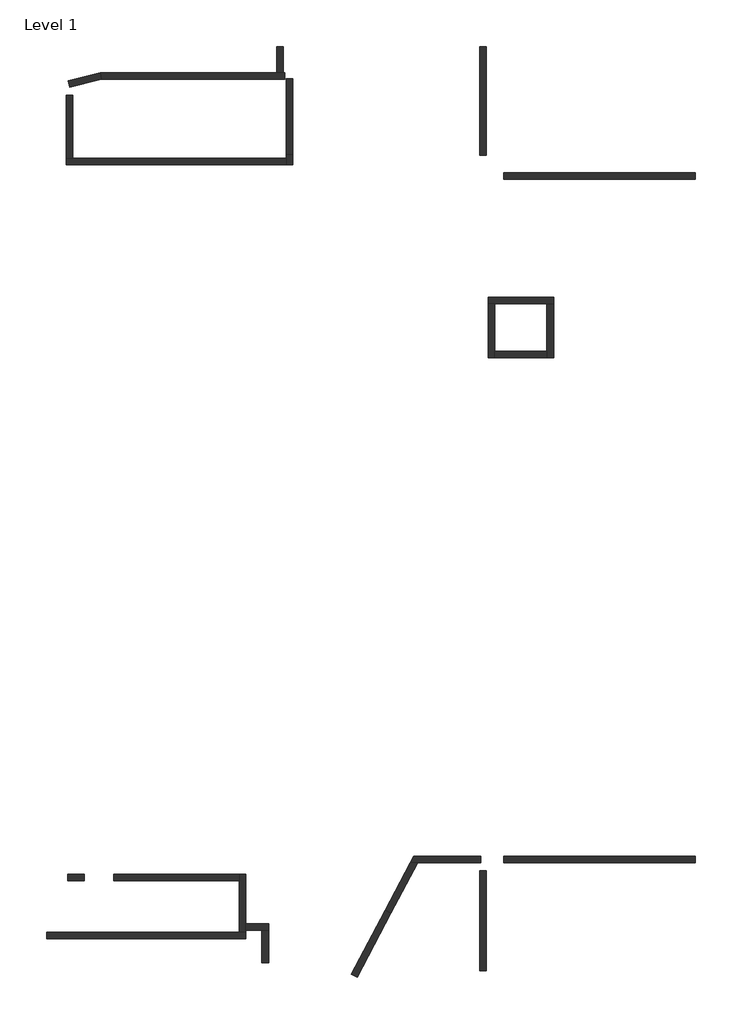
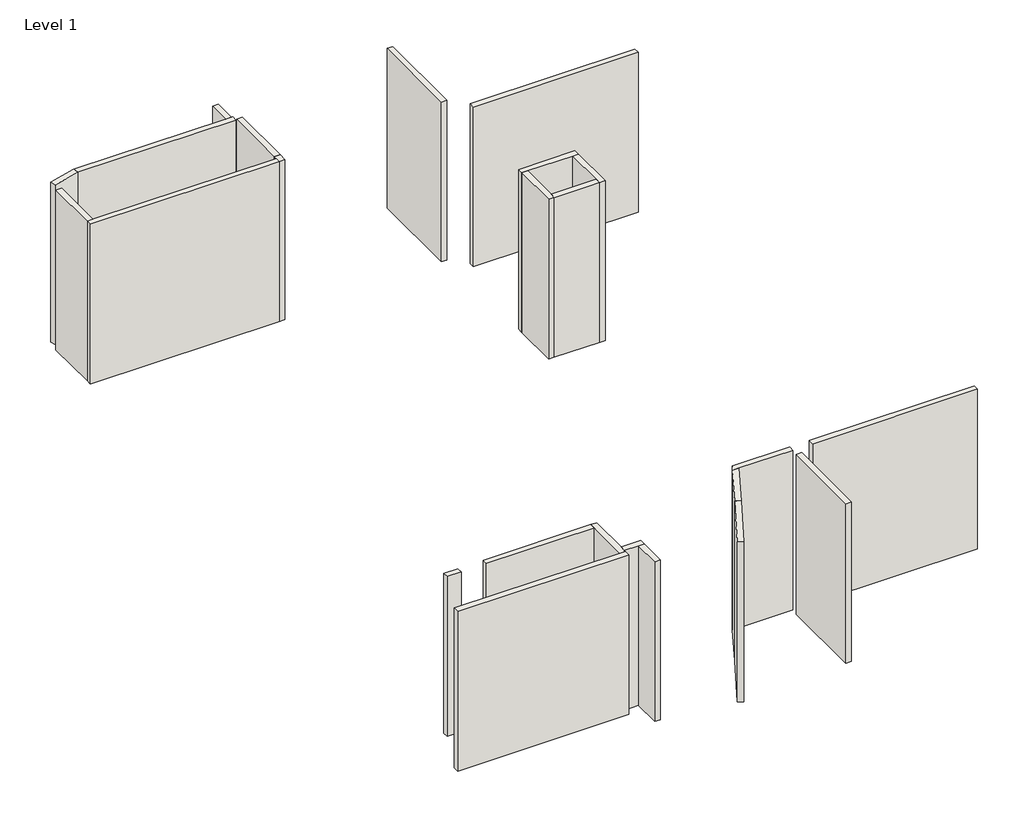
# One storey: 24 walls.
"""IFC4 building model written with IfcOpenShell, lengths in millimetres."""

from ifc_helpers import new_model, si_unit, origin, origin_with_axes, place, context, project, spatial, polyline, outline, extrude, faceted_brep, element, save

model = new_model("IFC4")

# Units and contexts
model_context = context("Model", 3, world=origin())
ifc_project = project(units=[si_unit("LENGTHUNIT", "METRE", prefix="MILLI")], contexts=[model_context])

# Site, building, storey
site = spatial("IfcSite", under=ifc_project)
building = spatial("IfcBuilding", under=site)
storey = spatial("IfcBuildingStorey", under=building, Name="Level 1", Elevation=0.0)

# Walls
placement = place(None, origin())
element("IfcWall", 1, ObjectType="Wall 1", at=placement, inside=storey, context=model_context, shape_type="Brep", body=[
    faceted_brep([(122166.793528, 85653.8669447, 0.0), (122396.4974292, 85653.8669447, 0.0), (124350.4817417, 85653.8669447, 0.0), (124350.4817417, 85653.8669447, 6096.0), (122396.4974292, 85653.8669447, 6096.0), (122166.793528, 85653.8669447, 6096.0), (122273.9086168, 85857.0669447, 0.0), (122273.9086168, 85857.0669447, 6096.0), (124350.4817417, 85857.0669447, 6096.0), (124350.4817417, 85857.0669447, 0.0)], [[[0, 1, 2, 3, 4, 5]], [[6, 7, 8, 9]], [[2, 1, 0, 6, 9]], [[3, 2, 9, 8]], [[5, 4, 3, 8, 7]], [[0, 5, 7, 6]]]),
])
element("IfcWall", 2, ObjectType="Wall 1", at=placement, inside=storey, context=model_context, shape_type="SweptSolid", body=[
    extrude(outline(polyline([(121386.3040414, 84173.2588861), (122166.793528, 85653.8669447), (122396.4974292, 85653.8669447), (121566.0582371, 84078.5030464), (121386.3040414, 84173.2588861)])), origin_with_axes(), (0.0, 0.0, 1.0), 6096.0),
])
element("IfcWall", 3, ObjectType="Wall 1", at=placement, inside=storey, context=model_context, shape_type="SweptSolid", body=[
    extrude(outline(polyline([(125061.6817417, 85857.0669447), (131005.2817417, 85857.0669447), (131005.2817417, 85653.8669447), (125061.6817417, 85653.8669447), (125061.6817417, 85857.0669447)])), origin_with_axes(), (0.0, 0.0, 1.0), 6096.0),
])
element("IfcWall", 4, ObjectType="Wall 1", at=placement, inside=storey, context=model_context, shape_type="Brep", body=[
    faceted_brep([(111498.0817417, 107301.9026673, 0.0), (118318.6606026, 107301.9026673, 0.0), (118318.6606026, 107301.9026673, 6096.0), (111498.0817417, 107301.9026673, 6096.0), (111498.0817417, 107505.1026673, 0.0), (111498.0817417, 107505.1026673, 6096.0), (111701.2817417, 107505.1026673, 6096.0), (118318.6606026, 107505.1026673, 6096.0), (118318.6606026, 107505.1026673, 0.0), (111701.2817417, 107505.1026673, 0.0)], [[[0, 1, 2, 3]], [[4, 5, 6, 7, 8, 9]], [[1, 0, 4, 9, 8]], [[3, 2, 7, 6, 5]], [[0, 3, 5, 4]], [[2, 1, 8, 7]]]),
])
element("IfcWall", 5, ObjectType="Wall 1", at=placement, inside=storey, context=model_context, shape_type="SweptSolid", body=[
    extrude(outline(polyline([(111701.2817417, 109448.5396727), (111701.2817417, 107505.1026673), (111498.0817417, 107505.1026673), (111498.0817417, 109448.5396727), (111701.2817417, 109448.5396727)])), origin_with_axes(), (0.0, 0.0, 1.0), 6096.0),
])
element("IfcWall", 6, ObjectType="Wall 1", at=placement, inside=storey, context=model_context, shape_type="Brep", body=[
    faceted_brep([(118521.8606026, 107301.9026673, 0.0), (118521.8606026, 107611.5689699, 0.0), (118521.8606026, 107611.5689699, 6096.0), (118521.8606026, 107301.9026673, 6096.0), (118318.6606026, 107301.9026673, 0.0), (118318.6606026, 107301.9026673, 6096.0), (118318.6606026, 107505.1026673, 6096.0), (118318.6606026, 107611.5689699, 6096.0), (118318.6606026, 107611.5689699, 0.0), (118318.6606026, 107505.1026673, 0.0)], [[[0, 1, 2, 3]], [[4, 5, 6, 7, 8, 9]], [[1, 0, 4, 9, 8]], [[2, 1, 8, 7]], [[3, 2, 7, 6, 5]], [[0, 3, 5, 4]]]),
])
element("IfcWall", 7, ObjectType="Wall 1", at=placement, inside=storey, context=model_context, shape_type="Brep", body=[
    faceted_brep([(110888.4817417, 83291.6669447, 0.0), (117060.6817417, 83291.6669447, 0.0), (117060.6817417, 83291.6669447, 6096.0), (110888.4817417, 83291.6669447, 6096.0), (110888.4817417, 83494.8669447, 0.0), (110888.4817417, 83494.8669447, 6096.0), (116857.4817417, 83494.8669447, 6096.0), (117060.6817417, 83494.8669447, 6096.0), (117060.6817417, 83494.8669447, 0.0), (116857.4817417, 83494.8669447, 0.0)], [[[0, 1, 2, 3]], [[4, 5, 6, 7, 8, 9]], [[1, 0, 4, 9, 8]], [[3, 2, 7, 6, 5]], [[0, 3, 5, 4]], [[2, 1, 8, 7]]]),
])
element("IfcWall", 8, ObjectType="Wall 1", at=placement, inside=storey, context=model_context, shape_type="Brep", body=[
    faceted_brep([(117060.6817417, 83494.8669447, 0.0), (117060.6817417, 83562.4276673, 0.0), (117060.6817417, 83765.6276673, 0.0), (117060.6817417, 85298.2669447, 0.0), (117060.6817417, 85298.2669447, 6096.0), (117060.6817417, 83765.6276673, 6096.0), (117060.6817417, 83562.4276673, 6096.0), (117060.6817417, 83494.8669447, 6096.0), (116857.4817417, 83494.8669447, 0.0), (116857.4817417, 83494.8669447, 6096.0), (116857.4817417, 85095.0669447, 6096.0), (116857.4817417, 85298.2669447, 6096.0), (116857.4817417, 85298.2669447, 0.0), (116857.4817417, 85095.0669447, 0.0)], [[[0, 1, 2, 3, 4, 5, 6, 7]], [[8, 9, 10, 11, 12, 13]], [[3, 2, 1, 0, 8, 13, 12]], [[7, 6, 5, 4, 11, 10, 9]], [[0, 7, 9, 8]], [[4, 3, 12, 11]]]),
])
element("IfcWall", 9, ObjectType="Wall 1", at=placement, inside=storey, context=model_context, shape_type="SweptSolid", body=[
    extrude(outline(polyline([(131005.2817417, 106850.1669447), (125061.6817417, 106850.1669447), (125061.6817417, 107053.3669447), (131005.2817417, 107053.3669447), (131005.2817417, 106850.1669447)])), origin_with_axes(), (0.0, 0.0, 1.0), 6096.0),
])
element("IfcWall", 10, ObjectType="Wall 1", at=placement, inside=storey, context=model_context, shape_type="Brep", body=[
    faceted_brep([(112578.7805263, 109943.5026673, 0.0), (118273.8711721, 109943.5026673, 0.0), (118273.8711721, 109943.5026673, 6096.0), (112578.7805263, 109943.5026673, 6096.0), (112553.5873576, 110146.7026673, 0.0), (112553.5873576, 110146.7026673, 6096.0), (118025.8817417, 110146.7026673, 6096.0), (118229.0817417, 110146.7026673, 6096.0), (118273.8711721, 110146.7026673, 6096.0), (118273.8711721, 110146.7026673, 0.0), (118229.0817417, 110146.7026673, 0.0), (118025.8817417, 110146.7026673, 0.0)], [[[0, 1, 2, 3]], [[4, 5, 6, 7, 8, 9, 10, 11]], [[1, 0, 4, 11, 10, 9]], [[2, 1, 9, 8]], [[3, 2, 8, 7, 6, 5]], [[0, 3, 5, 4]]]),
])
element("IfcWall", 11, ObjectType="Wall 1", at=placement, inside=storey, context=model_context, shape_type="SweptSolid", body=[
    extrude(outline(polyline([(111563.4009482, 109897.3387126), (112553.5873576, 110146.7026673), (112578.7805263, 109943.5026673), (111613.024494, 109700.2911455), (111563.4009482, 109897.3387126)])), origin_with_axes(), (0.0, 0.0, 1.0), 6096.0),
])
element("IfcWall", 12, ObjectType="Wall 1", at=placement, inside=storey, context=model_context, shape_type="SweptSolid", body=[
    extrude(outline(polyline([(116857.4817417, 85095.0669447), (112971.2817417, 85095.0669447), (112971.2817417, 85298.2669447), (116857.4817417, 85298.2669447), (116857.4817417, 85095.0669447)])), origin_with_axes(), (0.0, 0.0, 1.0), 6096.0),
])
element("IfcWall", 13, ObjectType="Wall 1", at=placement, inside=storey, context=model_context, shape_type="SweptSolid", body=[
    extrude(outline(polyline([(124528.2817417, 85399.8669447), (124528.2817417, 82306.4486949), (124325.0817417, 82306.4486949), (124325.0817417, 85399.8669447), (124528.2817417, 85399.8669447)])), origin_with_axes(), (0.0, 0.0, 1.0), 6096.0),
])
element("IfcWall", 14, ObjectType="Wall 1", at=placement, inside=storey, context=model_context, shape_type="SweptSolid", body=[
    extrude(outline(polyline([(124528.2817417, 110961.7919447), (124528.2817417, 107586.7669447), (124325.0817417, 107586.7669447), (124325.0817417, 110961.7919447), (124528.2817417, 110961.7919447)])), origin_with_axes(), (0.0, 0.0, 1.0), 6096.0),
])
element("IfcWall", 15, ObjectType="Wall 1", at=placement, inside=storey, context=model_context, shape_type="Brep", body=[
    faceted_brep([(124579.0817417, 102989.3669447, 0.0), (124782.2817417, 102989.3669447, 0.0), (126407.8817417, 102989.3669447, 0.0), (126611.0817417, 102989.3669447, 0.0), (126611.0817417, 102989.3669447, 6096.0), (126407.8817417, 102989.3669447, 6096.0), (124782.2817417, 102989.3669447, 6096.0), (124579.0817417, 102989.3669447, 6096.0), (124579.0817417, 103192.5669447, 0.0), (124579.0817417, 103192.5669447, 6096.0), (126611.0817417, 103192.5669447, 6096.0), (126611.0817417, 103192.5669447, 0.0)], [[[0, 1, 2, 3, 4, 5, 6, 7]], [[8, 9, 10, 11]], [[3, 2, 1, 0, 8, 11]], [[7, 6, 5, 4, 10, 9]], [[0, 7, 9, 8]], [[4, 3, 11, 10]]]),
])
element("IfcWall", 16, ObjectType="Wall 1", at=placement, inside=storey, context=model_context, shape_type="Brep", body=[
    faceted_brep([(124579.0817417, 102989.3669447, 0.0), (124579.0817417, 101312.9669447, 0.0), (124579.0817417, 101312.9669447, 6096.0), (124579.0817417, 102989.3669447, 6096.0), (124782.2817417, 102989.3669447, 0.0), (124782.2817417, 102989.3669447, 6096.0), (124782.2817417, 101516.1669447, 6096.0), (124782.2817417, 101312.9669447, 6096.0), (124782.2817417, 101312.9669447, 0.0), (124782.2817417, 101516.1669447, 0.0)], [[[0, 1, 2, 3]], [[4, 5, 6, 7, 8, 9]], [[1, 0, 4, 9, 8]], [[3, 2, 7, 6, 5]], [[0, 3, 5, 4]], [[2, 1, 8, 7]]]),
])
element("IfcWall", 17, ObjectType="Wall 1", at=placement, inside=storey, context=model_context, shape_type="Brep", body=[
    faceted_brep([(126407.8817417, 102989.3669447, 0.0), (126407.8817417, 101516.1669447, 0.0), (126407.8817417, 101312.9669447, 0.0), (126407.8817417, 101312.9669447, 6096.0), (126407.8817417, 101516.1669447, 6096.0), (126407.8817417, 102989.3669447, 6096.0), (126611.0817417, 102989.3669447, 0.0), (126611.0817417, 102989.3669447, 6096.0), (126611.0817417, 101312.9669447, 6096.0), (126611.0817417, 101312.9669447, 0.0)], [[[0, 1, 2, 3, 4, 5]], [[6, 7, 8, 9]], [[2, 1, 0, 6, 9]], [[5, 4, 3, 8, 7]], [[0, 5, 7, 6]], [[3, 2, 9, 8]]]),
])
element("IfcWall", 18, ObjectType="Wall 1", at=placement, inside=storey, context=model_context, shape_type="SweptSolid", body=[
    extrude(outline(polyline([(126407.8817417, 101312.9669447), (124782.2817417, 101312.9669447), (124782.2817417, 101516.1669447), (126407.8817417, 101516.1669447), (126407.8817417, 101312.9669447)])), origin_with_axes(), (0.0, 0.0, 1.0), 6096.0),
])
element("IfcWall", 19, ObjectType="Wall 1", at=placement, inside=storey, context=model_context, shape_type="SweptSolid", body=[
    extrude(outline(polyline([(118521.8606026, 109968.9026673), (118521.8606026, 107611.5689699), (118318.6606026, 107611.5689699), (118318.6606026, 109968.9026673), (118521.8606026, 109968.9026673)])), origin_with_axes(), (0.0, 0.0, 1.0), 6096.0),
])
element("IfcWall", 20, ObjectType="Wall 1", at=placement, inside=storey, context=model_context, shape_type="Brep", body=[
    faceted_brep([(117060.6817417, 83562.4276673, 0.0), (117568.6817417, 83562.4276673, 0.0), (117771.8817417, 83562.4276673, 0.0), (117771.8817417, 83562.4276673, 6096.0), (117568.6817417, 83562.4276673, 6096.0), (117060.6817417, 83562.4276673, 6096.0), (117060.6817417, 83765.6276673, 0.0), (117060.6817417, 83765.6276673, 6096.0), (117771.8817417, 83765.6276673, 6096.0), (117771.8817417, 83765.6276673, 0.0)], [[[0, 1, 2, 3, 4, 5]], [[6, 7, 8, 9]], [[2, 1, 0, 6, 9]], [[5, 4, 3, 8, 7]], [[0, 5, 7, 6]], [[3, 2, 9, 8]]]),
])
element("IfcWall", 21, ObjectType="Wall 1", at=placement, inside=storey, context=model_context, shape_type="SweptSolid", body=[
    extrude(outline(polyline([(121566.0582371, 84078.5030464), (120519.2331758, 82092.6497475), (120339.4789802, 82187.4055872), (121386.3040414, 84173.2588861), (121566.0582371, 84078.5030464)])), origin_with_axes(), (0.0, 0.0, 1.0), 6096.0),
])
element("IfcWall", 22, ObjectType="Wall 1", at=placement, inside=storey, context=model_context, shape_type="SweptSolid", body=[
    extrude(outline(polyline([(117771.8817417, 83562.4276673), (117771.8817417, 82551.8919447), (117568.6817417, 82551.8919447), (117568.6817417, 83562.4276673), (117771.8817417, 83562.4276673)])), origin_with_axes(), (0.0, 0.0, 1.0), 6096.0),
])
element("IfcWall", 23, ObjectType="Wall 1", at=placement, inside=storey, context=model_context, shape_type="SweptSolid", body=[
    extrude(outline(polyline([(118025.8817417, 110146.7026673), (118025.8817417, 110961.7919447), (118229.0817417, 110961.7919447), (118229.0817417, 110146.7026673), (118025.8817417, 110146.7026673)])), origin_with_axes(), (0.0, 0.0, 1.0), 6096.0),
])
element("IfcWall", 24, ObjectType="Wall 1", at=placement, inside=storey, context=model_context, shape_type="SweptSolid", body=[
    extrude(outline(polyline([(112056.8817417, 85095.0669447), (111548.8817417, 85095.0669447), (111548.8817417, 85298.2669447), (112056.8817417, 85298.2669447), (112056.8817417, 85095.0669447)])), origin_with_axes(), (0.0, 0.0, 1.0), 6096.0),
])

save(model, "model.ifc")
